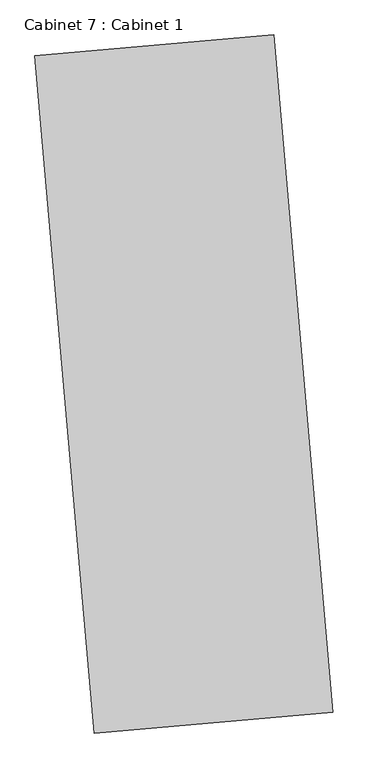
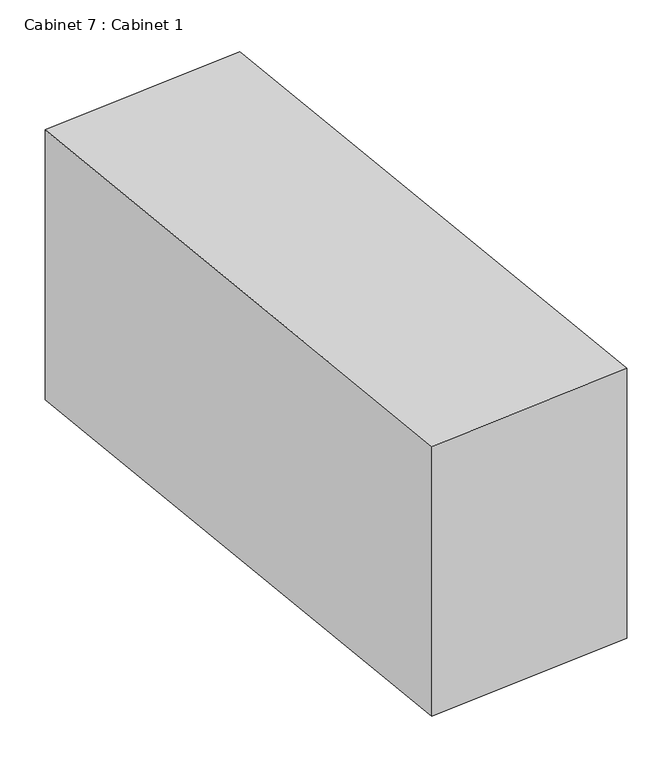
"""IFC4 building model written with IfcOpenShell, lengths in millimetres: furniture geometry, Cabinet 7 : Cabinet 1."""

from ifc_helpers import new_model, si_unit, origin, origin_with_axes, place, context, project, spatial, polyline, outline, extrude, source, transform, mapped, element, save


def cabinet_7_cabinet_1_0cb07d82(model_context):
    return source(origin(), model_context, "Body", "SweptSolid", [
        extrude(outline(polyline([(-54830.7028308, 55753.682938), (-54172.8158522, 55811.2405905), (-54009.5513571, 53945.1188723), (-54667.4383357, 53887.5612198), (-54830.7028308, 55753.682938)])), origin_with_axes(), (0.0, 0.0, 1.0), 914.4),
    ])


if __name__ == "__main__":
    model = new_model("IFC4")
    model_context = context("Model", 3, world=origin())
    ifc_project = project(units=[si_unit("LENGTHUNIT", "METRE", prefix="MILLI")], contexts=[model_context])
    site = spatial("IfcSite", under=ifc_project)
    building = spatial("IfcBuilding", under=site)
    placement = place(None, origin())
    cabinet_7_cabinet_1_shape = cabinet_7_cabinet_1_0cb07d82(model_context)
    element("IfcFurniture", 1, ObjectType="Cabinet 7 : Cabinet 1", at=placement, inside=building, context=model_context, shape_type="MappedRepresentation", body=[
        mapped(cabinet_7_cabinet_1_shape, transform((0.0, 0.0, 0.0), x_axis=(1.0, 0.0, 0.0), y_axis=(0.0, 1.0, 0.0), z_axis=(0.0, 0.0, 1.0))),
    ])
    save(model, "model.ifc")
